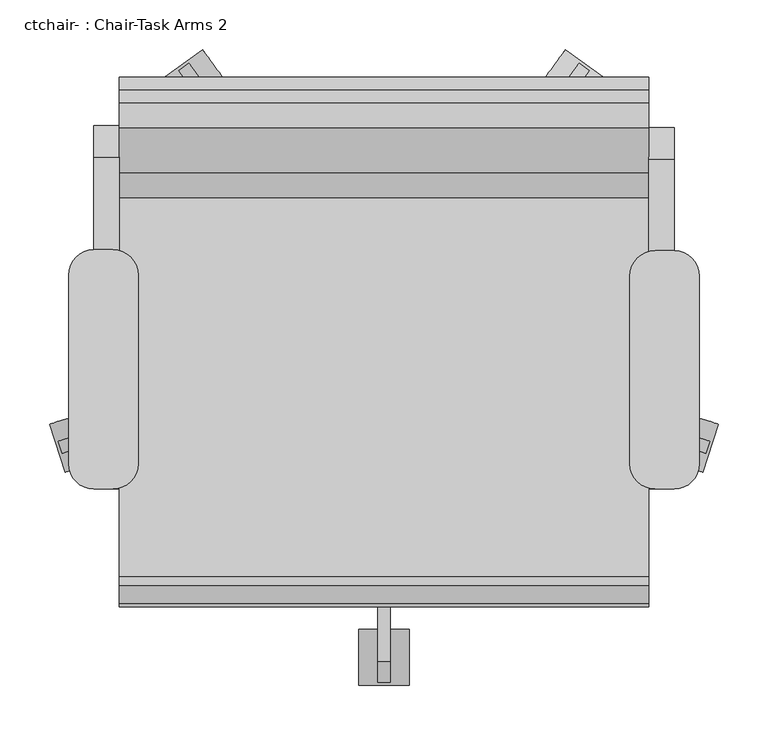
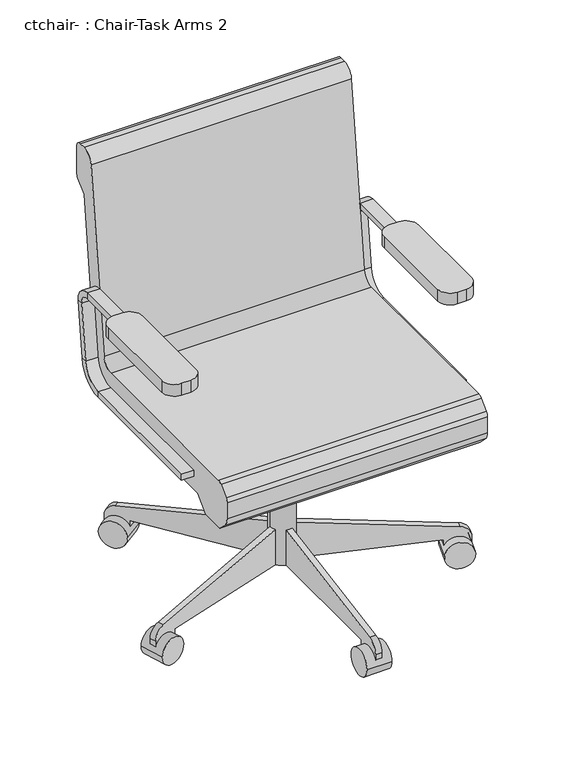
"""IFC4 building model written with IfcOpenShell, lengths in millimetres: furniture geometry, ctchair- : Chair-Task Arms 2."""

from ifc_helpers import new_model, si_unit, point, frame, frame_2d, origin, place, context, project, spatial, polyline, circle_curve, trimmed, segment, composite_curve, outline, extrude, source, transform, mapped, element, save
from ifc_brep_helpers import plane_surface, cylinder_surface, revolved_surface, advanced_brep


def ctchair_chair_task_arms_2_7ff2a73e(model_context):
    return source(origin(), model_context, "Body", "SolidModel", [
        extrude(outline(composite_curve([segment(polyline([(-151.1091803, 112.0946081), (-132.0591803, 112.0946081)]), True, "CONTINUOUS"), segment(trimmed(circle_curve(frame_2d((-132.0591803, 86.6946081)), 25.4), [point((-132.0591803, 112.0946081))], [point((-106.6591803, 86.6946081))], False, "CARTESIAN"), True, "CONTINUOUS"), segment(polyline([(-106.6591803, 86.6946081), (-106.6591803, -103.7401058)]), True, "CONTINUOUS"), segment(trimmed(circle_curve(frame_2d((-132.0591803, -103.7401058)), 25.4), [point((-106.6591803, -103.7401058))], [point((-132.0591803, -129.1401058))], False, "CARTESIAN"), True, "CONTINUOUS"), segment(polyline([(-132.0591803, -129.1401058), (-151.1091803, -129.1401058)]), True, "CONTINUOUS"), segment(trimmed(circle_curve(frame_2d((-151.1091803, -103.7401058)), 25.4), [point((-151.1091803, -129.1401058))], [point((-176.5091803, -103.7401058))], False, "CARTESIAN"), True, "CONTINUOUS"), segment(polyline([(-176.5091803, -103.7401058), (-176.5091803, 86.6946081)]), True, "CONTINUOUS"), segment(trimmed(circle_curve(frame_2d((-151.1091803, 86.6946081)), 25.4), [point((-176.5091803, 86.6946081))], [point((-151.1091803, 112.0946081))], False, "CARTESIAN"), True, "CONTINUOUS")], self_intersect=False)), frame((0.0, 0.0, 596.9), z_axis=(0.0, 0.0, 1.0), x_axis=(1.0, 0.0, 0.0)), (0.0, 0.0, 1.0), 25.4),
        extrude(outline(composite_curve([segment(polyline([(414.0408197, 111.0494016), (433.0908197, 111.0494016)]), True, "CONTINUOUS"), segment(trimmed(circle_curve(frame_2d((433.0908197, 85.6494016)), 25.4), [point((433.0908197, 111.0494016))], [point((458.4908197, 85.6494016))], False, "CARTESIAN"), True, "CONTINUOUS"), segment(polyline([(458.4908197, 85.6494016), (458.4908197, -103.7401058)]), True, "CONTINUOUS"), segment(trimmed(circle_curve(frame_2d((433.0908197, -103.7401058)), 25.4), [point((458.4908197, -103.7401058))], [point((433.0908197, -129.1401058))], False, "CARTESIAN"), True, "CONTINUOUS"), segment(polyline([(433.0908197, -129.1401058), (414.0408197, -129.1401058)]), True, "CONTINUOUS"), segment(trimmed(circle_curve(frame_2d((414.0408197, -103.7401058)), 25.4), [point((414.0408197, -129.1401058))], [point((388.6408197, -103.7401058))], False, "CARTESIAN"), True, "CONTINUOUS"), segment(polyline([(388.6408197, -103.7401058), (388.6408197, 85.6494016)]), True, "CONTINUOUS"), segment(trimmed(circle_curve(frame_2d((414.0408197, 85.6494016)), 25.4), [point((388.6408197, 85.6494016))], [point((414.0408197, 111.0494016))], False, "CARTESIAN"), True, "CONTINUOUS")], self_intersect=False)), frame((0.0, 0.0, 596.9), z_axis=(0.0, 0.0, 1.0), x_axis=(1.0, 0.0, 0.0)), (0.0, 0.0, 1.0), 25.4),
        advanced_brep(
        [(433.0908197, -129.1401058, 412.75), (433.0908197, -129.1401058, 425.45), (407.6908197, -129.1401058, 425.45), (407.6908197, -129.1401058, 412.75), (433.0908197, 164.1306683, 412.75), (433.0908197, 164.1306683, 425.45), (407.6908197, 164.1306683, 425.45), (407.6908197, 164.1306683, 412.75), (433.0908197, 208.2762127, 464.7064065), (433.0908197, 220.8892254, 463.2225227), (407.6908197, 208.2762127, 464.7064065), (407.6908197, 220.8892254, 463.2225227), (433.0908197, 234.6854333, 580.4902904), (433.0908197, 222.0724207, 581.9741742), (407.6908197, 222.0724207, 581.9741742), (407.6908197, 234.6854333, 580.4902904), (433.0908197, 203.1529016, 603.25), (433.0908197, 203.1529016, 615.95), (407.6908197, 203.1529016, 603.25), (407.6908197, 203.1529016, 615.95), (433.0908197, 18.9459016, 615.95), (407.6908197, 18.9459016, 615.95), (407.6908197, 18.9459016, 603.25), (433.0908197, 18.9459016, 603.25)],
        [
            (0, 1),
            (1, 2),
            (2, 3),
            (3, 0),
            (0, 4),
            (4, 5),
            (5, 1),
            (5, 6),
            (6, 2),
            (6, 7),
            (7, 3),
            (7, 4),
            (8, 5, circle_curve(frame((433.0908197, 164.1306683, 469.9), z_axis=(-1.0, 0.0, 0.0), x_axis=(0.0, 0.0, -1.0)), 44.45)),
            (4, 9, circle_curve(frame((433.0908197, 164.1306683, 469.9), z_axis=(1.0, 0.0, 0.0), x_axis=(0.0, 0.0, -1.0)), 57.15)),
            (9, 8),
            (10, 6, circle_curve(frame((407.6908197, 164.1306683, 469.9), z_axis=(-1.0, 0.0, 0.0), x_axis=(0.0, 0.0, -1.0)), 44.45)),
            (8, 10),
            (11, 7, circle_curve(frame((407.6908197, 164.1306683, 469.9), z_axis=(-1.0, 0.0, 0.0), x_axis=(0.0, 0.0, -1.0)), 57.15)),
            (10, 11),
            (11, 9),
            (9, 12),
            (12, 13),
            (13, 8),
            (13, 14),
            (14, 10),
            (14, 15),
            (15, 11),
            (15, 12),
            (16, 13, circle_curve(frame((433.0908197, 203.1529016, 584.2), z_axis=(-1.0, 0.0, 0.0), x_axis=(0.0, 0.9931506043228768, -0.11684124756739202)), 19.05)),
            (12, 17, circle_curve(frame((433.0908197, 203.1529016, 584.2), z_axis=(1.0, 0.0, 0.0), x_axis=(0.0, 0.9931506043228768, -0.11684124756739202)), 31.75)),
            (17, 16),
            (18, 14, circle_curve(frame((407.6908197, 203.1529016, 584.2), z_axis=(-1.0, 0.0, 0.0), x_axis=(0.0, 0.9931506043228768, -0.11684124756739202)), 19.05)),
            (16, 18),
            (19, 15, circle_curve(frame((407.6908197, 203.1529016, 584.2), z_axis=(-1.0, 0.0, 0.0), x_axis=(0.0, 0.9931506043228768, -0.11684124756739202)), 31.75)),
            (18, 19),
            (19, 17),
            (20, 21),
            (21, 22),
            (22, 23),
            (23, 20),
            (17, 20),
            (23, 16),
            (22, 18),
            (21, 19),
        ],
        [
            plane_surface(frame((406.191788, -129.1401058, 419.1), z_axis=(0.0, -1.0, 0.0), x_axis=(0.0, 0.0, 1.0))),
            plane_surface(frame((433.0908197, -129.1401058, 412.75), z_axis=(1.0, 0.0, 0.0), x_axis=(0.0, 1.0, 0.0))),
            plane_surface(frame((433.0908197, -129.1401058, 425.45), z_axis=(0.0, 0.0, 1.0), x_axis=(0.0, 1.0, 0.0))),
            plane_surface(frame((407.6908197, -129.1401058, 425.45), z_axis=(-1.0, 0.0, 0.0), x_axis=(0.0, 1.0, 0.0))),
            plane_surface(frame((407.6908197, -129.1401058, 412.75), z_axis=(0.0, 0.0, -1.0), x_axis=(0.0, 1.0, 0.0))),
            plane_surface(frame((433.0908197, 164.1306683, 469.9), z_axis=(1.0, 0.0, 0.0), x_axis=(0.0, 0.0, -1.0))),
            revolved_surface(polyline([(433.0908197, 164.1306683, 425.45), (407.6908197, 164.1306683, 425.45)]), (420.3908197, 164.1306683, 469.9), (1.0, 0.0, 0.0)),
            plane_surface(frame((407.6908197, 164.1306683, 469.9), z_axis=(-1.0, 0.0, 0.0), x_axis=(0.0, 0.0, -1.0))),
            cylinder_surface(frame((420.3908197, 164.1306683, 469.9), z_axis=(1.0, 0.0, 0.0), x_axis=(0.0, 0.0, -1.0)), 57.15),
            plane_surface(frame((433.0908197, 220.8892254, 463.2225227), z_axis=(1.0, 0.0, 0.0), x_axis=(0.0, 0.1168412475673856, 0.9931506043228776))),
            plane_surface(frame((433.0908197, 208.2762127, 464.7064065), z_axis=(0.0, -0.9931506043228776, 0.1168412475673856), x_axis=(0.0, 0.1168412475673856, 0.9931506043228776))),
            plane_surface(frame((407.6908197, 208.2762127, 464.7064065), z_axis=(-1.0, 0.0, 0.0), x_axis=(0.0, 0.1168412475673856, 0.9931506043228776))),
            plane_surface(frame((407.6908197, 220.8892254, 463.2225227), z_axis=(0.0, 0.9931506043228776, -0.1168412475673856), x_axis=(0.0, 0.1168412475673856, 0.9931506043228776))),
            plane_surface(frame((433.0908197, 203.1529016, 584.2), z_axis=(1.0, 0.0, 0.0), x_axis=(0.0, 0.9931506043228768, -0.11684124756739202))),
            revolved_surface(polyline([(433.0908197, 222.0724206123508, 581.9741742338413), (407.6908197, 222.0724206123508, 581.9741742338413)]), (420.3908197, 203.1529016, 584.2), (1.0, 0.0, 0.0)),
            plane_surface(frame((407.6908197, 203.1529016, 584.2), z_axis=(-1.0, 0.0, 0.0), x_axis=(0.0, 0.9931506043228768, -0.11684124756739202))),
            cylinder_surface(frame((420.3908197, 203.1529016, 584.2), z_axis=(1.0, 0.0, 0.0), x_axis=(0.0, 0.9931506043228768, -0.11684124756739202)), 31.75),
            plane_surface(frame((406.191788, 18.9459016, 609.6), z_axis=(0.0, -1.0, 0.0), x_axis=(0.0, 0.0, -1.0))),
            plane_surface(frame((433.0908197, 203.1529016, 615.95), z_axis=(1.0, 0.0, 0.0), x_axis=(0.0, -1.0, 0.0))),
            plane_surface(frame((433.0908197, 203.1529016, 603.25), z_axis=(0.0, 0.0, -1.0), x_axis=(0.0, -1.0, 0.0))),
            plane_surface(frame((407.6908197, 203.1529016, 603.25), z_axis=(-1.0, 0.0, 0.0), x_axis=(0.0, -1.0, 0.0))),
            plane_surface(frame((407.6908197, 203.1529016, 615.95), z_axis=(0.0, 0.0, 1.0), x_axis=(0.0, -1.0, 0.0))),
        ],
        [
            (0, [[1, 2, 3, 4]]),
            (1, [[-1, 5, 6, 7]]),
            (2, [[-2, -7, 8, 9]]),
            (3, [[-3, -9, 10, 11]]),
            (4, [[-4, -11, 12, -5]]),
            (5, [[13, -6, 14, 15]]),
            (6, [[16, -8, -13, 17]]),
            (7, [[18, -10, -16, 19]]),
            (8, [[-14, -12, -18, 20]]),
            (9, [[-15, 21, 22, 23]]),
            (10, [[-17, -23, 24, 25]]),
            (11, [[-19, -25, 26, 27]]),
            (12, [[-20, -27, 28, -21]]),
            (13, [[29, -22, 30, 31]]),
            (14, [[32, -24, -29, 33]]),
            (15, [[34, -26, -32, 35]]),
            (16, [[-30, -28, -34, 36]]),
            (17, [[37, 38, 39, 40]]),
            (18, [[-31, 41, -40, 42]]),
            (19, [[-33, -42, -39, 43]]),
            (20, [[-35, -43, -38, 44]]),
            (21, [[-36, -44, -37, -41]]),
        ],
    ),
        advanced_brep(
        [(-151.1091803, -129.1401058, 425.45), (-151.1091803, -129.1401058, 412.75), (-125.7091803, -129.1401058, 412.75), (-125.7091803, -129.1401058, 425.45), (-151.1091803, 166.2210813, 425.45), (-151.1091803, 166.2210813, 412.75), (-125.7091803, 166.2210813, 412.75), (-125.7091803, 166.2210813, 425.45), (-151.1091803, 222.9796383, 463.2225227), (-151.1091803, 210.3666257, 464.7064065), (-125.7091803, 222.9796383, 463.2225227), (-125.7091803, 210.3666257, 464.7064065), (-151.1091803, 224.1628336, 581.9741742), (-151.1091803, 236.7758463, 580.4902904), (-125.7091803, 236.7758463, 580.4902904), (-125.7091803, 224.1628336, 581.9741742), (-151.1091803, 205.2433146, 615.95), (-151.1091803, 205.2433146, 603.25), (-125.7091803, 205.2433146, 615.95), (-125.7091803, 205.2433146, 603.25), (-151.1091803, 18.9459016, 603.25), (-125.7091803, 18.9459016, 603.25), (-125.7091803, 18.9459016, 615.95), (-151.1091803, 18.9459016, 615.95)],
        [
            (0, 1),
            (1, 2),
            (2, 3),
            (3, 0),
            (0, 4),
            (4, 5),
            (5, 1),
            (5, 6),
            (6, 2),
            (6, 7),
            (7, 3),
            (7, 4),
            (8, 5, circle_curve(frame((-151.1091803, 166.2210813, 469.9), z_axis=(-1.0, 0.0, 0.0), x_axis=(0.0, 0.0, -1.0)), 57.15)),
            (4, 9, circle_curve(frame((-151.1091803, 166.2210813, 469.9), z_axis=(1.0, 0.0, 0.0), x_axis=(0.0, 0.0, -1.0)), 44.45)),
            (9, 8),
            (10, 6, circle_curve(frame((-125.7091803, 166.2210813, 469.9), z_axis=(-1.0, 0.0, 0.0), x_axis=(0.0, 0.0, -1.0)), 57.15)),
            (8, 10),
            (11, 7, circle_curve(frame((-125.7091803, 166.2210813, 469.9), z_axis=(-1.0, 0.0, 0.0), x_axis=(0.0, 0.0, -1.0)), 44.45)),
            (10, 11),
            (11, 9),
            (9, 12),
            (12, 13),
            (13, 8),
            (13, 14),
            (14, 10),
            (14, 15),
            (15, 11),
            (15, 12),
            (16, 13, circle_curve(frame((-151.1091803, 205.2433146, 584.2), z_axis=(-1.0, 0.0, 0.0), x_axis=(0.0, 0.9931506043228767, -0.1168412475673929)), 31.75)),
            (12, 17, circle_curve(frame((-151.1091803, 205.2433146, 584.2), z_axis=(1.0, 0.0, 0.0), x_axis=(0.0, 0.9931506043228767, -0.1168412475673929)), 19.05)),
            (17, 16),
            (18, 14, circle_curve(frame((-125.7091803, 205.2433146, 584.2), z_axis=(-1.0, 0.0, 0.0), x_axis=(0.0, 0.9931506043228767, -0.1168412475673929)), 31.75)),
            (16, 18),
            (19, 15, circle_curve(frame((-125.7091803, 205.2433146, 584.2), z_axis=(-1.0, 0.0, 0.0), x_axis=(0.0, 0.9931506043228767, -0.1168412475673929)), 19.05)),
            (18, 19),
            (19, 17),
            (20, 21),
            (21, 22),
            (22, 23),
            (23, 20),
            (17, 20),
            (23, 16),
            (22, 18),
            (21, 19),
        ],
        [
            plane_surface(frame((-152.608212, -129.1401058, 419.1), z_axis=(0.0, -1.0, 0.0), x_axis=(0.0, 0.0, 1.0))),
            plane_surface(frame((-151.1091803, -129.1401058, 425.45), z_axis=(-1.0, 0.0, 0.0), x_axis=(0.0, 1.0, 0.0))),
            plane_surface(frame((-151.1091803, -129.1401058, 412.75), z_axis=(0.0, 0.0, -1.0), x_axis=(0.0, 1.0, 0.0))),
            plane_surface(frame((-125.7091803, -129.1401058, 412.75), z_axis=(1.0, 0.0, 0.0), x_axis=(0.0, 1.0, 0.0))),
            plane_surface(frame((-125.7091803, -129.1401058, 425.45), z_axis=(0.0, 0.0, 1.0), x_axis=(0.0, 1.0, 0.0))),
            plane_surface(frame((-151.1091803, 166.2210813, 469.9), z_axis=(-1.0, 0.0, 0.0), x_axis=(0.0, 0.0, -1.0))),
            cylinder_surface(frame((-138.4091803, 166.2210813, 469.9), z_axis=(1.0, 0.0, 0.0), x_axis=(0.0, 0.0, -1.0)), 57.15),
            plane_surface(frame((-125.7091803, 166.2210813, 469.9), z_axis=(1.0, 0.0, 0.0), x_axis=(0.0, 0.0, -1.0))),
            revolved_surface(polyline([(-125.7091803, 166.2210813, 425.45), (-151.1091803, 166.2210813, 425.45)]), (-138.4091803, 166.2210813, 469.9), (1.0, 0.0, 0.0)),
            plane_surface(frame((-151.1091803, 210.3666257, 464.7064065), z_axis=(-1.0, 0.0, 0.0), x_axis=(0.0, 0.11684124756738626, 0.9931506043228775))),
            plane_surface(frame((-151.1091803, 222.9796383, 463.2225227), z_axis=(0.0, 0.9931506043228775, -0.11684124756738626), x_axis=(0.0, 0.11684124756738626, 0.9931506043228775))),
            plane_surface(frame((-125.7091803, 222.9796383, 463.2225227), z_axis=(1.0, 0.0, 0.0), x_axis=(0.0, 0.11684124756738626, 0.9931506043228775))),
            plane_surface(frame((-125.7091803, 210.3666257, 464.7064065), z_axis=(0.0, -0.9931506043228775, 0.11684124756738626), x_axis=(0.0, 0.11684124756738626, 0.9931506043228775))),
            plane_surface(frame((-151.1091803, 205.2433146, 584.2), z_axis=(-1.0, 0.0, 0.0), x_axis=(0.0, 0.9931506043228767, -0.1168412475673929))),
            cylinder_surface(frame((-138.4091803, 205.2433146, 584.2), z_axis=(1.0, 0.0, 0.0), x_axis=(0.0, 0.9931506043228767, -0.1168412475673929)), 31.75),
            plane_surface(frame((-125.7091803, 205.2433146, 584.2), z_axis=(1.0, 0.0, 0.0), x_axis=(0.0, 0.9931506043228767, -0.1168412475673929))),
            revolved_surface(polyline([(-125.7091803, 224.1628336123508, 581.9741742338412), (-151.1091803, 224.1628336123508, 581.9741742338412)]), (-138.4091803, 205.2433146, 584.2), (1.0, 0.0, 0.0)),
            plane_surface(frame((-152.608212, 18.9459016, 609.6), z_axis=(0.0, -1.0, 0.0), x_axis=(0.0, 0.0, -1.0))),
            plane_surface(frame((-151.1091803, 205.2433146, 603.25), z_axis=(-1.0, 0.0, 0.0), x_axis=(0.0, -1.0, 0.0))),
            plane_surface(frame((-151.1091803, 205.2433146, 615.95), z_axis=(0.0, 0.0, 1.0), x_axis=(0.0, -1.0, 0.0))),
            plane_surface(frame((-125.7091803, 205.2433146, 615.95), z_axis=(1.0, 0.0, 0.0), x_axis=(0.0, -1.0, 0.0))),
            plane_surface(frame((-125.7091803, 205.2433146, 603.25), z_axis=(0.0, 0.0, -1.0), x_axis=(0.0, -1.0, 0.0))),
        ],
        [
            (0, [[1, 2, 3, 4]]),
            (1, [[-1, 5, 6, 7]]),
            (2, [[-2, -7, 8, 9]]),
            (3, [[-3, -9, 10, 11]]),
            (4, [[-4, -11, 12, -5]]),
            (5, [[13, -6, 14, 15]]),
            (6, [[16, -8, -13, 17]]),
            (7, [[18, -10, -16, 19]]),
            (8, [[-14, -12, -18, 20]]),
            (9, [[-15, 21, 22, 23]]),
            (10, [[-17, -23, 24, 25]]),
            (11, [[-19, -25, 26, 27]]),
            (12, [[-20, -27, 28, -21]]),
            (13, [[29, -22, 30, 31]]),
            (14, [[32, -24, -29, 33]]),
            (15, [[34, -26, -32, 35]]),
            (16, [[-30, -28, -34, 36]]),
            (17, [[37, 38, 39, 40]]),
            (18, [[-31, 41, -40, 42]]),
            (19, [[-33, -42, -39, 43]]),
            (20, [[-35, -43, -38, 44]]),
            (21, [[-36, -44, -37, -41]]),
        ],
    ),
        extrude(outline(composite_curve([segment(trimmed(circle_curve(frame_2d((140.9908197, 18.9459016)), 25.4), [point((166.3908197, 18.9459016))], [point((115.5908197, 18.9459016))], False, "CARTESIAN"), True, "CONTINUOUS"), segment(trimmed(circle_curve(frame_2d((140.9908197, 18.9459016)), 25.4), [point((115.5908197, 18.9459016))], [point((166.3908197, 18.9459016))], False, "CARTESIAN"), True, "CONTINUOUS")], self_intersect=False)), frame((0.0, 0.0, 53.5835944), z_axis=(0.0, 0.0, 1.0), x_axis=(1.0, 0.0, 0.0)), (0.0, 0.0, 1.0), 330.5914056),
        extrude(outline(composite_curve([segment(trimmed(circle_curve(frame_2d((0.0, -28.2002727)), 28.2002727), [point((0.0, -56.4005454))], [point((0.0, 0.0))], False, "CARTESIAN"), True, "CONTINUOUS"), segment(trimmed(circle_curve(frame_2d((0.0, -28.2002727)), 28.2002727), [point((0.0, 0.0))], [point((0.0, -56.4005454))], False, "CARTESIAN"), True, "CONTINUOUS")], self_intersect=False)), frame((-179.9406457, -112.0381931, 28.1835944), z_axis=(-0.3090169943749372, 0.951056516295157, 0.0), x_axis=(0.0, 0.0, -1.0)), (0.0, 0.0, 1.0), 50.8),
        extrude(outline(composite_curve([segment(polyline([(25.4, 0.0), (25.4, 292.1), (101.6, 292.1), (101.6, 266.7), (49.3171699, -29.8106637)]), True, "CONTINUOUS"), segment(trimmed(circle_curve(frame_2d((24.303053, -25.4)), 25.4), [point((49.3171699, -29.8106637))], [point((24.303053, -50.8000001))], False, "CARTESIAN"), True, "CONTINUOUS"), segment(polyline([(24.303053, -50.8000001), (0.0, -50.8000001), (0.0, 0.0), (25.4, 0.0)]), True, "CONTINUOUS")], self_intersect=False)), frame((-134.8505308, -77.3571713, 28.1835944), z_axis=(-0.3090169943749371, 0.951056516295157, 0.0), x_axis=(0.0, 0.0, 1.0)), (0.0, 0.0, 1.0), 12.7),
        extrude(outline(composite_curve([segment(trimmed(circle_curve(frame_2d((0.0, -28.2002727)), 28.2002727), [point((0.0, -56.4005454))], [point((0.0, 0.0))], False, "CARTESIAN"), True, "CONTINUOUS"), segment(trimmed(circle_curve(frame_2d((0.0, -28.2002727)), 28.2002727), [point((0.0, 0.0))], [point((0.0, -56.4005454))], False, "CARTESIAN"), True, "CONTINUOUS")], self_intersect=False)), frame((-82.755734, 283.6935518, 28.1835944), z_axis=(0.8090169943749531, 0.5877852522924655, 0.0), x_axis=(0.0, 0.0, -1.0)), (0.0, 0.0, 1.0), 50.8),
        extrude(outline(composite_curve([segment(polyline([(25.4, 0.0), (25.4, 292.1), (101.6, 292.1), (101.6, 266.6999999), (49.3171699, -29.8106638)]), True, "CONTINUOUS"), segment(trimmed(circle_curve(frame_2d((24.303053, -25.4)), 25.4), [point((49.3171699, -29.8106638))], [point((24.303053, -50.8000001))], False, "CARTESIAN"), True, "CONTINUOUS"), segment(polyline([(24.303053, -50.8000001), (0.0, -50.8000001), (0.0, 0.0), (25.4, 0.0)]), True, "CONTINUOUS")], self_intersect=False)), frame((-35.8385104, 251.5273293, 28.1835944), z_axis=(0.8090169943749531, 0.5877852522924655, 0.0), x_axis=(0.0, 0.0, 1.0)), (0.0, 0.0, 1.0), 12.7),
        extrude(outline(composite_curve([segment(trimmed(circle_curve(frame_2d((0.0, -28.2002727)), 28.2002727), [point((0.0, -56.4005454))], [point((0.0, 0.0))], False, "CARTESIAN"), True, "CONTINUOUS"), segment(trimmed(circle_curve(frame_2d((0.0, -28.2002727)), 28.2002727), [point((0.0, 0.0))], [point((0.0, -56.4005454))], False, "CARTESIAN"), True, "CONTINUOUS")], self_intersect=False)), frame((364.7373733, 283.6935518, 28.1835944), z_axis=(-0.8090169943749427, 0.5877852522924798, 0.0), x_axis=(0.0, 0.0, 1.0)), (0.0, 0.0, 1.0), 50.8),
        extrude(outline(composite_curve([segment(polyline([(-25.4, 0.0), (0.0, 0.0), (0.0, -50.8000001), (-24.303053, -50.8000001)]), True, "CONTINUOUS"), segment(trimmed(circle_curve(frame_2d((-24.303053, -25.4)), 25.4), [point((-24.303053, -50.8000001))], [point((-49.3171699, -29.8106638))], False, "CARTESIAN"), True, "CONTINUOUS"), segment(polyline([(-49.3171699, -29.8106638), (-101.6, 266.7), (-101.6, 292.1), (-25.4, 292.1), (-25.4, 0.0)]), True, "CONTINUOUS")], self_intersect=False)), frame((317.8201498, 251.5273293, 28.1835944), z_axis=(-0.8090169943749427, 0.5877852522924798, 0.0), x_axis=(0.0, 0.0, -1.0)), (0.0, 0.0, 1.0), 12.7),
        extrude(outline(composite_curve([segment(trimmed(circle_curve(frame_2d((0.0, -28.2002728)), 28.2002727), [point((0.0, -56.4005455))], [point((0.0, 0.0))], False, "CARTESIAN"), True, "CONTINUOUS"), segment(trimmed(circle_curve(frame_2d((0.0, -28.2002728)), 28.2002727), [point((0.0, 0.0))], [point((0.0, -56.4005455))], False, "CARTESIAN"), True, "CONTINUOUS")], self_intersect=False)), frame((461.9222851, -112.0381931, 28.1835944), z_axis=(0.30901699437495384, 0.9510565162951515, 0.0), x_axis=(0.0, 0.0, 1.0)), (0.0, 0.0, 1.0), 50.8),
        extrude(outline(composite_curve([segment(polyline([(-25.4, 0.0), (0.0, 0.0), (0.0, -50.8), (-24.303053, -50.8)]), True, "CONTINUOUS"), segment(trimmed(circle_curve(frame_2d((-24.303053, -25.4)), 25.4), [point((-24.303053, -50.8))], [point((-49.3171699, -29.8106636))], False, "CARTESIAN"), True, "CONTINUOUS"), segment(polyline([(-49.3171699, -29.8106636), (-101.6, 266.7), (-101.6, 292.1), (-25.4, 292.1), (-25.4, 0.0)]), True, "CONTINUOUS")], self_intersect=False)), frame((416.8321702, -77.3571713, 28.1835944), z_axis=(0.30901699437495384, 0.9510565162951515, 0.0), x_axis=(0.0, 0.0, -1.0)), (0.0, 0.0, 1.0), 12.7),
        extrude(outline(composite_curve([segment(trimmed(circle_curve(frame_2d((-298.5540984, 28.1835944)), 28.2002727), [point((-270.3538256, 28.1835944))], [point((-326.7543711, 28.1835944))], False, "CARTESIAN"), True, "CONTINUOUS"), segment(trimmed(circle_curve(frame_2d((-298.5540984, 28.1835944)), 28.2002727), [point((-326.7543711, 28.1835944))], [point((-270.3538256, 28.1835944))], False, "CARTESIAN"), True, "CONTINUOUS")], self_intersect=False)), frame((115.5908197, 0.0, 0.0), z_axis=(1.0, 0.0, 0.0), x_axis=(0.0, 1.0, 0.0)), (0.0, 0.0, 1.0), 50.8),
        extrude(outline(composite_curve([segment(polyline([(-273.1540984, 53.5835944), (-273.1540984, 28.1835944), (-323.9540984, 28.1835944), (-323.9540984, 52.4866474)]), True, "CONTINUOUS"), segment(trimmed(circle_curve(frame_2d((-298.5540984, 52.4866474)), 25.4), [point((-323.9540984, 52.4866474))], [point((-302.9647621, 77.5007643))], False, "CARTESIAN"), True, "CONTINUOUS"), segment(polyline([(-302.9647621, 77.5007643), (-6.4540984, 129.7835944), (18.9459016, 129.7835944), (18.9459016, 53.5835944), (-273.1540984, 53.5835944)]), True, "CONTINUOUS")], self_intersect=False)), frame((134.6408197, 0.0, 0.0), z_axis=(1.0, 0.0, 0.0), x_axis=(0.0, 1.0, 0.0)), (0.0, 0.0, 1.0), 12.7),
        extrude(outline(polyline([(-31.8540984, 383.7835944), (57.0459016, 383.7835944), (57.0459016, 283.0954134), (18.9459016, 283.0954134), (-31.8540984, 371.0835944), (-31.8540984, 383.7835944)])), frame((90.1908197, 0.0, 0.0), z_axis=(1.0, 0.0, 0.0), x_axis=(0.0, 1.0, 0.0)), (0.0, 0.0, 1.0), 101.6),
        extrude(outline(composite_curve([segment(trimmed(circle_curve(frame_2d((164.0968488, 482.6)), 25.4), [point((164.0968488, 457.2))], [point((189.3228741, 479.6322323))], True, "CARTESIAN"), True, "CONTINUOUS"), segment(polyline([(189.3228741, 479.6322323), (234.8447018, 866.5677677)]), True, "CONTINUOUS"), segment(trimmed(circle_curve(frame_2d((260.0707271, 863.6)), 25.4), [point((234.8447018, 866.5677677))], [point((260.0707271, 889.0))], False, "CARTESIAN"), True, "CONTINUOUS"), segment(polyline([(260.0707271, 889.0), (272.9459016, 889.0)]), True, "CONTINUOUS"), segment(trimmed(circle_curve(frame_2d((272.9459016, 876.3)), 12.7), [point((272.9459016, 889.0))], [point((285.6459016, 876.3))], False, "CARTESIAN"), True, "CONTINUOUS"), segment(polyline([(285.6459016, 876.3), (285.6459016, 818.0605122)]), True, "CONTINUOUS"), segment(trimmed(circle_curve(frame_2d((272.9459016, 818.0605122)), 12.7), [point((285.6459016, 818.0605122))], [point((281.9261578, 809.0802561))], False, "CARTESIAN"), True, "CONTINUOUS"), segment(polyline([(281.9261578, 809.0802561), (260.2459016, 787.4), (220.6788771, 451.0802913)]), True, "CONTINUOUS"), segment(trimmed(circle_curve(frame_2d((145.000801, 459.9835944)), 76.2), [point((220.6788771, 451.0802913))], [point((145.000801, 383.7835944))], False, "CARTESIAN"), True, "CONTINUOUS"), segment(polyline([(145.000801, 383.7835944), (-143.1826569, 383.7835944), (-171.5552251, 355.6), (-222.3552251, 355.6), (-240.3745223, 373.7401184)]), True, "CONTINUOUS"), segment(trimmed(circle_curve(frame_2d((-222.3540984, 391.6405184)), 25.4), [point((-240.3745223, 373.7401184))], [point((-247.7540984, 391.6405184))], False, "CARTESIAN"), True, "CONTINUOUS"), segment(polyline([(-247.7540984, 391.6405184), (-247.7540984, 426.6837879)]), True, "CONTINUOUS"), segment(trimmed(circle_curve(frame_2d((-235.0540984, 426.6837879)), 12.7), [point((-247.7540984, 426.6837879))], [point((-244.0042984, 435.6939999))], False, "CARTESIAN"), True, "CONTINUOUS"), segment(polyline([(-244.0042984, 435.6939999), (-226.0686268, 453.510212)]), True, "CONTINUOUS"), segment(trimmed(circle_curve(frame_2d((-217.1184268, 444.5)), 12.7), [point((-226.0686268, 453.510212))], [point((-217.1184268, 457.2))], False, "CARTESIAN"), True, "CONTINUOUS"), segment(polyline([(-217.1184268, 457.2), (164.0968488, 457.2)]), True, "CONTINUOUS")], self_intersect=False)), frame((-125.7091803, 0.0, 0.0), z_axis=(1.0, 0.0, 0.0), x_axis=(0.0, 1.0, 0.0)), (0.0, 0.0, 1.0), 533.4),
    ])


if __name__ == "__main__":
    model = new_model("IFC4")
    model_context = context("Model", 3, world=origin())
    ifc_project = project(units=[si_unit("LENGTHUNIT", "METRE", prefix="MILLI")], contexts=[model_context])
    site = spatial("IfcSite", under=ifc_project)
    building = spatial("IfcBuilding", under=site)
    placement = place(None, origin())
    ctchair_chair_task_arms_2_shape = ctchair_chair_task_arms_2_7ff2a73e(model_context)
    element("IfcFurniture", 1, ObjectType="ctchair- : Chair-Task Arms 2", at=placement, inside=building, context=model_context, shape_type="MappedRepresentation", body=[
        mapped(ctchair_chair_task_arms_2_shape, transform((0.0, 0.0, 0.0), x_axis=(1.0, 0.0, 0.0), y_axis=(0.0, 1.0, 0.0), z_axis=(0.0, 0.0, 1.0))),
    ])
    save(model, "model.ifc")
